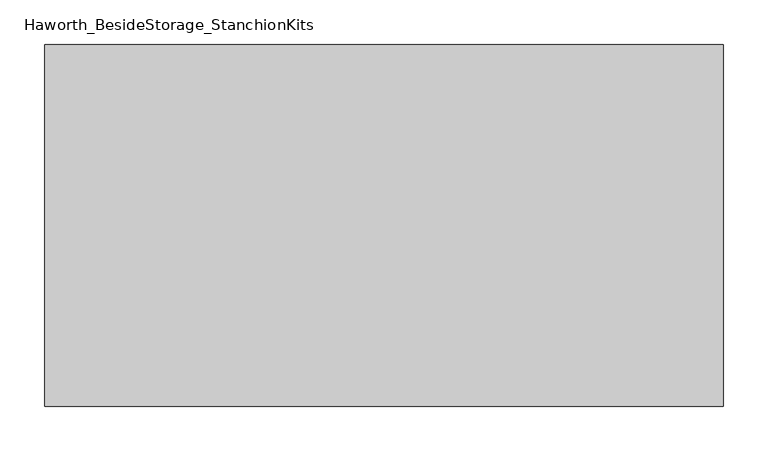
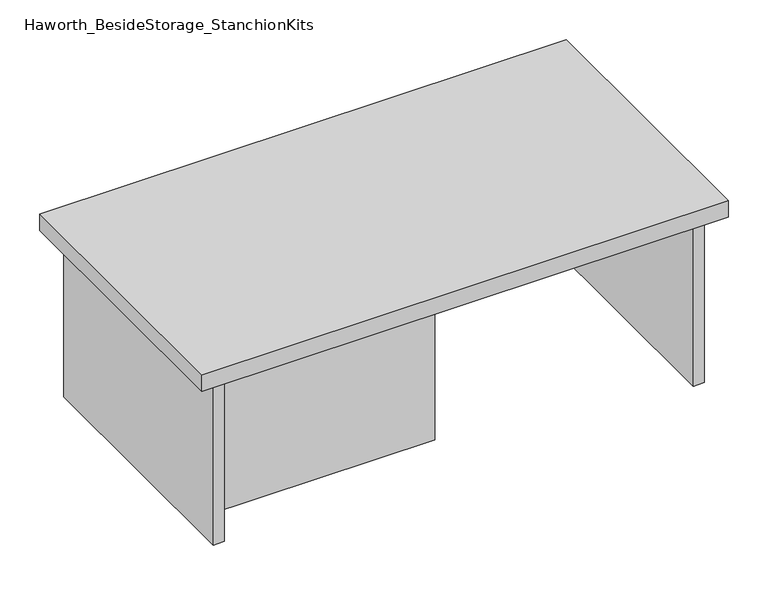
"""IFC4 building model written with IfcOpenShell, lengths in millimetres: furniture geometry, Haworth_BesideStorage_StanchionKits."""

from ifc_helpers import new_model, si_unit, frame, origin, place, context, project, spatial, polyline, outline, extrude, source, transform, mapped, element, save


def haworth_besidestorage_stanchionkits_0c1d1c42(model_context):
    return source(origin(), model_context, "Body", "SweptSolid", [
        extrude(outline(polyline([(542.925, 0.0), (542.925, -406.4), (-219.075, -406.4), (-219.075, 0.0), (542.925, 0.0)])), frame((0.0, 0.0, 685.8), z_axis=(0.0, 0.0, 1.0), x_axis=(1.0, 0.0, 0.0)), (0.0, 0.0, 1.0), 25.4),
        extrude(outline(polyline([(161.925, -76.2), (501.65, -76.2), (501.65, -92.075), (161.925, -92.075), (161.925, -76.2)])), frame((0.0, 0.0, 431.8), z_axis=(0.0, 0.0, 1.0), x_axis=(1.0, 0.0, 0.0)), (0.0, 0.0, 1.0), 254.0),
        extrude(outline(polyline([(161.925, -314.325), (161.925, -330.2), (-177.8, -330.2), (-177.8, -314.325), (161.925, -314.325)])), frame((0.0, 0.0, 431.8), z_axis=(0.0, 0.0, 1.0), x_axis=(1.0, 0.0, 0.0)), (0.0, 0.0, 1.0), 254.0),
        extrude(outline(polyline([(517.525, -390.525), (501.65, -390.525), (501.65, -15.875), (517.525, -15.875), (517.525, -390.525)])), frame((0.0, 0.0, 431.8), z_axis=(0.0, 0.0, 1.0), x_axis=(1.0, 0.0, 0.0)), (0.0, 0.0, 1.0), 254.0),
        extrude(outline(polyline([(-177.8, -390.525), (-193.675, -390.525), (-193.675, -15.875), (-177.8, -15.875), (-177.8, -390.525)])), frame((0.0, 0.0, 431.8), z_axis=(0.0, 0.0, 1.0), x_axis=(1.0, 0.0, 0.0)), (0.0, 0.0, 1.0), 254.0),
    ])


if __name__ == "__main__":
    model = new_model("IFC4")
    model_context = context("Model", 3, world=origin())
    ifc_project = project(units=[si_unit("LENGTHUNIT", "METRE", prefix="MILLI")], contexts=[model_context])
    site = spatial("IfcSite", under=ifc_project)
    building = spatial("IfcBuilding", under=site)
    placement = place(None, origin())
    haworth_besidestorage_stanchionkits_shape = haworth_besidestorage_stanchionkits_0c1d1c42(model_context)
    element("IfcFurniture", 1, ObjectType="Haworth_BesideStorage_StanchionKits", at=placement, inside=building, context=model_context, shape_type="MappedRepresentation", body=[
        mapped(haworth_besidestorage_stanchionkits_shape, transform((0.0, 0.0, 0.0), x_axis=(1.0, 0.0, 0.0), y_axis=(0.0, 1.0, 0.0), z_axis=(0.0, 0.0, 1.0))),
    ])
    save(model, "model.ifc")
